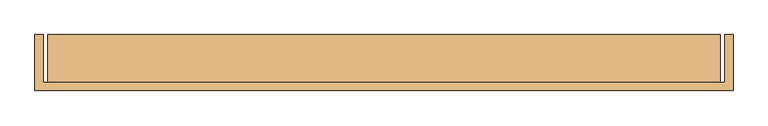
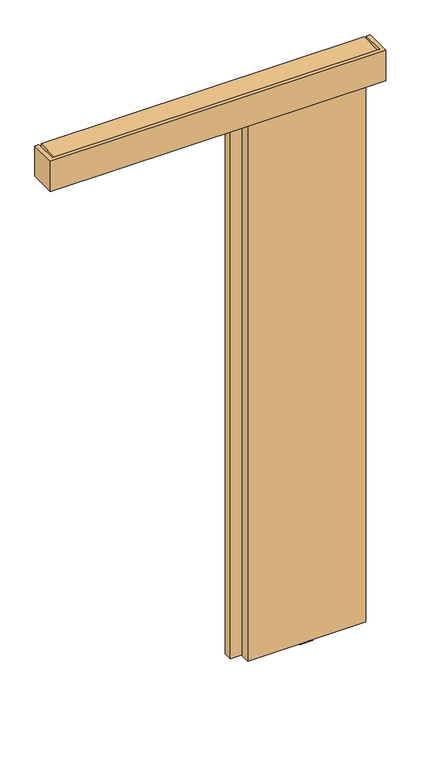
"""IFC4 building model written with IfcOpenShell, lengths in millimetres: door geometry."""

from ifc_helpers import new_model, si_unit, point, frame, frame_2d, origin, place, context, project, spatial, polyline, circle_curve, trimmed, segment, composite_curve, outline, extrude, source, transform, mapped, element, save
from ifc_brep_helpers import plane_surface, cylinder_surface, advanced_brep


def door_6378e227(model_context):
    return source(origin(), model_context, "Body", "SolidModel", [
        extrude(outline(composite_curve([segment(trimmed(circle_curve(frame_2d((-446.5, -48.5)), 9.0), [point((-437.5, -48.5))], [point((-455.5, -48.5))], False, "CARTESIAN"), True, "CONTINUOUS"), segment(trimmed(circle_curve(frame_2d((-446.5, -48.5)), 9.0), [point((-455.5, -48.5))], [point((-437.5, -48.5))], False, "CARTESIAN"), True, "CONTINUOUS")], self_intersect=False)), frame((0.0, 0.0, 2631.0), z_axis=(0.0, 0.0, 1.0), x_axis=(1.0, 0.0, 0.0)), (0.0, 0.0, 1.0), 26.0),
        extrude(outline(polyline([(-524.0, -58.5), (-524.0, -38.5), (-445.8281516, -38.5), (-445.8281516, -58.5), (-524.0, -58.5)])), frame((0.0, 0.0, 2631.0), z_axis=(0.0, 0.0, 1.0), x_axis=(1.0, 0.0, 0.0)), (0.0, 0.0, 1.0), 5.0),
        extrude(outline(composite_curve([segment(trimmed(circle_curve(frame_2d((-446.5, -48.5)), 21.0), [point((-425.5, -48.5))], [point((-467.5, -48.5))], False, "CARTESIAN"), True, "CONTINUOUS"), segment(trimmed(circle_curve(frame_2d((-446.5, -48.5)), 21.0), [point((-467.5, -48.5))], [point((-425.5, -48.5))], False, "CARTESIAN"), True, "CONTINUOUS")], self_intersect=False)), frame((0.0, 0.0, 2636.0), z_axis=(0.0, 0.0, 1.0), x_axis=(1.0, 0.0, 0.0)), (0.0, 0.0, 1.0), 16.0),
        advanced_brep(
        [(-775.5, 14.2574263, 2687.3), (-870.5, 14.2574263, 2687.3), (-870.5, -14.7425737, 2687.3), (-775.5, -14.7425737, 2687.3), (-833.427668, -10.9457536, 2687.3), (-863.71694, -10.9457536, 2687.3), (-863.71694, 10.4606061, 2687.3), (-833.427668, 10.4606061, 2687.3), (-782.28306, -10.9457536, 2687.3), (-812.572332, -10.9457536, 2687.3), (-812.572332, 10.4606061, 2687.3), (-782.28306, 10.4606061, 2687.3), (-775.5, 14.2574263, 2672.3), (-775.5, -14.7425737, 2672.3), (-870.5, -14.7425737, 2672.3), (-870.5, 14.2574263, 2672.3), (-863.71694, -10.9457536, 2672.3), (-833.427668, -10.9457536, 2672.3), (-833.427668, 10.4606061, 2672.3), (-863.71694, 10.4606061, 2672.3), (-812.572332, -10.9457536, 2672.3), (-782.28306, -10.9457536, 2672.3), (-782.28306, 10.4606061, 2672.3), (-812.572332, 10.4606061, 2672.3), (-827.95, -0.5, 2672.3), (-818.05, -0.5, 2672.3), (-827.95, -0.5, 2653.8), (-818.05, -0.5, 2653.8)],
        [
            (0, 1),
            (1, 2),
            (2, 3),
            (3, 0),
            (4, 5),
            (5, 6),
            (6, 7),
            (7, 4),
            (8, 9),
            (9, 10),
            (10, 11),
            (11, 8),
            (12, 13),
            (13, 14),
            (14, 15),
            (15, 12),
            (16, 17),
            (17, 18),
            (18, 19),
            (19, 16),
            (20, 21),
            (21, 22),
            (22, 23),
            (23, 20),
            (24, 25, circle_curve(frame((-823.0, -0.5, 2672.3), z_axis=(0.0, 0.0, 1.0), x_axis=(1.0, 0.0, 0.0)), 4.95)),
            (25, 24, circle_curve(frame((-823.0, -0.5, 2672.3), z_axis=(0.0, 0.0, 1.0), x_axis=(1.0, 0.0, 0.0)), 4.95)),
            (0, 12),
            (15, 1),
            (14, 2),
            (13, 3),
            (16, 17, circle_curve(frame((-848.572304, -10.9457536, 2679.8), z_axis=(0.0, -1.0, 0.0), x_axis=(1.0, 0.0, 0.0)), 16.9)),
            (4, 5, circle_curve(frame((-848.572304, -10.9457536, 2679.8), z_axis=(0.0, -1.0, 0.0), x_axis=(1.0, 0.0, 0.0)), 16.9)),
            (6, 7, circle_curve(frame((-848.572304, 10.4606061, 2679.8), z_axis=(0.0, 1.0, 0.0), x_axis=(1.0, 0.0, 0.0)), 16.9)),
            (18, 19, circle_curve(frame((-848.572304, 10.4606061, 2679.8), z_axis=(0.0, 1.0, 0.0), x_axis=(1.0, 0.0, 0.0)), 16.9)),
            (8, 9, circle_curve(frame((-797.427696, -10.9457536, 2679.8), z_axis=(0.0, -1.0, 0.0), x_axis=(-1.0, 0.0, 0.0)), 16.9)),
            (20, 21, circle_curve(frame((-797.427696, -10.9457536, 2679.8), z_axis=(0.0, -1.0, 0.0), x_axis=(-1.0, 0.0, 0.0)), 16.9)),
            (22, 23, circle_curve(frame((-797.427696, 10.4606061, 2679.8), z_axis=(0.0, 1.0, 0.0), x_axis=(-1.0, 0.0, 0.0)), 16.9)),
            (10, 11, circle_curve(frame((-797.427696, 10.4606061, 2679.8), z_axis=(0.0, 1.0, 0.0), x_axis=(-1.0, 0.0, 0.0)), 16.9)),
            (26, 27, circle_curve(frame((-823.0, -0.5, 2653.8), z_axis=(0.0, 0.0, -1.0), x_axis=(1.0, 0.0, 0.0)), 4.95)),
            (27, 26, circle_curve(frame((-823.0, -0.5, 2653.8), z_axis=(0.0, 0.0, -1.0), x_axis=(1.0, 0.0, 0.0)), 4.95)),
            (27, 25),
            (24, 26),
        ],
        [
            plane_surface(frame((-870.5, 14.2574263, 2687.3), z_axis=(0.0, 0.0, 1.0), x_axis=(-1.0, 0.0, 0.0))),
            plane_surface(frame((-870.5, 14.2574263, 2672.3), z_axis=(0.0, 0.0, -1.0), x_axis=(1.0, 0.0, 0.0))),
            plane_surface(frame((-775.5, 14.2574263, 2687.3), z_axis=(0.0, 1.0, 0.0), x_axis=(0.0, 0.0, -1.0))),
            plane_surface(frame((-870.5, 14.2574263, 2687.3), z_axis=(-1.0, 0.0, 0.0), x_axis=(0.0, 0.0, -1.0))),
            plane_surface(frame((-870.5, -14.7425737, 2687.3), z_axis=(0.0, -1.0, 0.0), x_axis=(0.0, 0.0, -1.0))),
            plane_surface(frame((-775.5, -14.7425737, 2687.3), z_axis=(1.0, 0.0, 0.0), x_axis=(0.0, 0.0, -1.0))),
            plane_surface(frame((-831.672304, -10.9457536, 2679.8), z_axis=(0.0, -1.0, 0.0), x_axis=(0.0, 0.0, 1.0))),
            plane_surface(frame((-831.672304, 10.4606061, 2679.8), z_axis=(0.0, 1.0, 0.0), x_axis=(0.0, 0.0, -1.0))),
            cylinder_surface(frame((-848.572304, 10.4606061, 2679.8), z_axis=(0.0, -1.0, 0.0), x_axis=(1.0, 0.0, 0.0)), 16.9),
            plane_surface(frame((-814.327696, -10.9457536, 2679.8), z_axis=(0.0, -1.0, 0.0), x_axis=(0.0, 0.0, -1.0))),
            plane_surface(frame((-814.327696, 10.4606061, 2679.8), z_axis=(0.0, 1.0, 0.0), x_axis=(0.0, 0.0, 1.0))),
            cylinder_surface(frame((-797.427696, 10.4606061, 2679.8), z_axis=(0.0, -1.0, 0.0), x_axis=(-1.0, 0.0, 0.0)), 16.9),
            plane_surface(frame((-818.05, -0.5, 2653.8), z_axis=(0.0, 0.0, -1.0), x_axis=(0.0, -1.0, 0.0))),
            cylinder_surface(frame((-823.0, -0.5, 2653.8), z_axis=(0.0, 0.0, 1.0), x_axis=(1.0, 0.0, 0.0)), 4.95),
        ],
        [
            (0, [[1, 2, 3, 4], [5, 6, 7, 8], [9, 10, 11, 12]]),
            (1, [[13, 14, 15, 16], [17, 18, 19, 20], [21, 22, 23, 24], [25, 26]]),
            (2, [[-1, 27, -16, 28]]),
            (3, [[-2, -28, -15, 29]]),
            (4, [[-3, -29, -14, 30]]),
            (5, [[-4, -30, -13, -27]]),
            (6, [[31, -17]]),
            (6, [[32, -5]]),
            (7, [[33, -7]]),
            (7, [[34, -19]]),
            (8, [[-31, -20, -34, -18]]),
            (8, [[-32, -8, -33, -6]]),
            (9, [[35, -9]]),
            (9, [[36, -21]]),
            (10, [[37, -23]]),
            (10, [[38, -11]]),
            (11, [[-36, -24, -37, -22]]),
            (11, [[-35, -12, -38, -10]]),
            (12, [[39, 40]]),
            (13, [[-40, 41, -25, 42]]),
            (13, [[-39, -42, -26, -41]]),
        ],
    ),
        extrude(outline(composite_curve([segment(trimmed(circle_curve(frame_2d((-822.9999644, -0.1875)), 12.254021), [point((-835.2539853, -0.1875))], [point((-810.7459434, -0.1875))], False, "CARTESIAN"), True, "CONTINUOUS"), segment(trimmed(circle_curve(frame_2d((-822.9999644, -0.1875)), 12.254021), [point((-810.7459434, -0.1875))], [point((-835.2539853, -0.1875))], False, "CARTESIAN"), True, "CONTINUOUS")], self_intersect=False)), frame((0.0, 0.0, 2645.0), z_axis=(0.0, 0.0, 1.0), x_axis=(1.0, 0.0, 0.0)), (0.0, 0.0, 1.0), 8.8),
        extrude(outline(polyline([(2631.0, -773.0), (2634.8, -773.0), (2645.0, -810.75), (2645.0, -835.25), (2634.8, -873.0), (2631.0, -873.0), (2631.0, -773.0)])), frame((0.0, -17.7425737, 0.0), z_axis=(0.0, 1.0, 0.0), x_axis=(0.0, 0.0, 1.0)), (0.0, 0.0, 1.0), 35.0),
        extrude(outline(composite_curve([segment(trimmed(circle_curve(frame_2d((-1053.0, -48.5)), 9.0), [point((-1062.0, -48.5))], [point((-1044.0, -48.5))], False, "CARTESIAN"), True, "CONTINUOUS"), segment(trimmed(circle_curve(frame_2d((-1053.0, -48.5)), 9.0), [point((-1044.0, -48.5))], [point((-1062.0, -48.5))], False, "CARTESIAN"), True, "CONTINUOUS")], self_intersect=False)), frame((0.0, 0.0, 2631.0), z_axis=(0.0, 0.0, 1.0), x_axis=(1.0, 0.0, 0.0)), (0.0, 0.0, 1.0), 26.0),
        extrude(outline(polyline([(-878.5, -58.5), (-1053.6718484, -58.5), (-1053.6718484, -38.5), (-878.5, -38.5), (-878.5, -58.5)])), frame((0.0, 0.0, 2631.0), z_axis=(0.0, 0.0, 1.0), x_axis=(1.0, 0.0, 0.0)), (0.0, 0.0, 1.0), 5.0),
        extrude(outline(composite_curve([segment(trimmed(circle_curve(frame_2d((-1053.0, -48.5)), 21.0), [point((-1074.0, -48.5))], [point((-1032.0, -48.5))], False, "CARTESIAN"), True, "CONTINUOUS"), segment(trimmed(circle_curve(frame_2d((-1053.0, -48.5)), 21.0), [point((-1032.0, -48.5))], [point((-1074.0, -48.5))], False, "CARTESIAN"), True, "CONTINUOUS")], self_intersect=False)), frame((0.0, 0.0, 2636.0), z_axis=(0.0, 0.0, 1.0), x_axis=(1.0, 0.0, 0.0)), (0.0, 0.0, 1.0), 16.0),
        advanced_brep(
        [(-528.0, -33.7425737, 2687.3), (-623.0, -33.7425737, 2687.3), (-623.0, -62.7425737, 2687.3), (-528.0, -62.7425737, 2687.3), (-585.927668, -58.9457536, 2687.3), (-616.21694, -58.9457536, 2687.3), (-616.21694, -37.5393939, 2687.3), (-585.927668, -37.5393939, 2687.3), (-534.78306, -58.9457536, 2687.3), (-565.072332, -58.9457536, 2687.3), (-565.072332, -37.5393939, 2687.3), (-534.78306, -37.5393939, 2687.3), (-528.0, -33.7425737, 2672.3), (-528.0, -62.7425737, 2672.3), (-623.0, -62.7425737, 2672.3), (-623.0, -33.7425737, 2672.3), (-616.21694, -58.9457536, 2672.3), (-585.927668, -58.9457536, 2672.3), (-585.927668, -37.5393939, 2672.3), (-616.21694, -37.5393939, 2672.3), (-565.072332, -58.9457536, 2672.3), (-534.78306, -58.9457536, 2672.3), (-534.78306, -37.5393939, 2672.3), (-565.072332, -37.5393939, 2672.3), (-580.45, -48.5, 2672.3), (-570.55, -48.5, 2672.3), (-580.45, -48.5, 2653.8), (-570.55, -48.5, 2653.8)],
        [
            (0, 1),
            (1, 2),
            (2, 3),
            (3, 0),
            (4, 5),
            (5, 6),
            (6, 7),
            (7, 4),
            (8, 9),
            (9, 10),
            (10, 11),
            (11, 8),
            (12, 13),
            (13, 14),
            (14, 15),
            (15, 12),
            (16, 17),
            (17, 18),
            (18, 19),
            (19, 16),
            (20, 21),
            (21, 22),
            (22, 23),
            (23, 20),
            (24, 25, circle_curve(frame((-575.5, -48.5, 2672.3), z_axis=(0.0, 0.0, 1.0), x_axis=(1.0, 0.0, 0.0)), 4.95)),
            (25, 24, circle_curve(frame((-575.5, -48.5, 2672.3), z_axis=(0.0, 0.0, 1.0), x_axis=(1.0, 0.0, 0.0)), 4.95)),
            (0, 12),
            (15, 1),
            (14, 2),
            (13, 3),
            (16, 17, circle_curve(frame((-601.072304, -58.9457536, 2679.8), z_axis=(0.0, -1.0, 0.0), x_axis=(1.0, 0.0, 0.0)), 16.9)),
            (4, 5, circle_curve(frame((-601.072304, -58.9457536, 2679.8), z_axis=(0.0, -1.0, 0.0), x_axis=(1.0, 0.0, 0.0)), 16.9)),
            (6, 7, circle_curve(frame((-601.072304, -37.5393939, 2679.8), z_axis=(0.0, 1.0, 0.0), x_axis=(1.0, 0.0, 0.0)), 16.9)),
            (18, 19, circle_curve(frame((-601.072304, -37.5393939, 2679.8), z_axis=(0.0, 1.0, 0.0), x_axis=(1.0, 0.0, 0.0)), 16.9)),
            (8, 9, circle_curve(frame((-549.927696, -58.9457536, 2679.8), z_axis=(0.0, -1.0, 0.0), x_axis=(-1.0, 0.0, 0.0)), 16.9)),
            (20, 21, circle_curve(frame((-549.927696, -58.9457536, 2679.8), z_axis=(0.0, -1.0, 0.0), x_axis=(-1.0, 0.0, 0.0)), 16.9)),
            (22, 23, circle_curve(frame((-549.927696, -37.5393939, 2679.8), z_axis=(0.0, 1.0, 0.0), x_axis=(-1.0, 0.0, 0.0)), 16.9)),
            (10, 11, circle_curve(frame((-549.927696, -37.5393939, 2679.8), z_axis=(0.0, 1.0, 0.0), x_axis=(-1.0, 0.0, 0.0)), 16.9)),
            (26, 27, circle_curve(frame((-575.5, -48.5, 2653.8), z_axis=(0.0, 0.0, -1.0), x_axis=(1.0, 0.0, 0.0)), 4.95)),
            (27, 26, circle_curve(frame((-575.5, -48.5, 2653.8), z_axis=(0.0, 0.0, -1.0), x_axis=(1.0, 0.0, 0.0)), 4.95)),
            (27, 25),
            (24, 26),
        ],
        [
            plane_surface(frame((-623.0, -33.7425737, 2687.3), z_axis=(0.0, 0.0, 1.0), x_axis=(-1.0, 0.0, 0.0))),
            plane_surface(frame((-623.0, -33.7425737, 2672.3), z_axis=(0.0, 0.0, -1.0), x_axis=(1.0, 0.0, 0.0))),
            plane_surface(frame((-528.0, -33.7425737, 2687.3), z_axis=(0.0, 1.0, 0.0), x_axis=(0.0, 0.0, -1.0))),
            plane_surface(frame((-623.0, -33.7425737, 2687.3), z_axis=(-1.0, 0.0, 0.0), x_axis=(0.0, 0.0, -1.0))),
            plane_surface(frame((-623.0, -62.7425737, 2687.3), z_axis=(0.0, -1.0, 0.0), x_axis=(0.0, 0.0, -1.0))),
            plane_surface(frame((-528.0, -62.7425737, 2687.3), z_axis=(1.0, 0.0, 0.0), x_axis=(0.0, 0.0, -1.0))),
            plane_surface(frame((-584.172304, -58.9457536, 2679.8), z_axis=(0.0, -1.0, 0.0), x_axis=(0.0, 0.0, 1.0))),
            plane_surface(frame((-584.172304, -37.5393939, 2679.8), z_axis=(0.0, 1.0, 0.0), x_axis=(0.0, 0.0, -1.0))),
            cylinder_surface(frame((-601.072304, -37.5393939, 2679.8), z_axis=(0.0, -1.0, 0.0), x_axis=(1.0, 0.0, 0.0)), 16.9),
            plane_surface(frame((-566.827696, -58.9457536, 2679.8), z_axis=(0.0, -1.0, 0.0), x_axis=(0.0, 0.0, -1.0))),
            plane_surface(frame((-566.827696, -37.5393939, 2679.8), z_axis=(0.0, 1.0, 0.0), x_axis=(0.0, 0.0, 1.0))),
            cylinder_surface(frame((-549.927696, -37.5393939, 2679.8), z_axis=(0.0, -1.0, 0.0), x_axis=(-1.0, 0.0, 0.0)), 16.9),
            plane_surface(frame((-570.55, -48.5, 2653.8), z_axis=(0.0, 0.0, -1.0), x_axis=(0.0, -1.0, 0.0))),
            cylinder_surface(frame((-575.5, -48.5, 2653.8), z_axis=(0.0, 0.0, 1.0), x_axis=(1.0, 0.0, 0.0)), 4.95),
        ],
        [
            (0, [[1, 2, 3, 4], [5, 6, 7, 8], [9, 10, 11, 12]]),
            (1, [[13, 14, 15, 16], [17, 18, 19, 20], [21, 22, 23, 24], [25, 26]]),
            (2, [[-1, 27, -16, 28]]),
            (3, [[-2, -28, -15, 29]]),
            (4, [[-3, -29, -14, 30]]),
            (5, [[-4, -30, -13, -27]]),
            (6, [[31, -17]]),
            (6, [[32, -5]]),
            (7, [[33, -7]]),
            (7, [[34, -19]]),
            (8, [[-31, -20, -34, -18]]),
            (8, [[-32, -8, -33, -6]]),
            (9, [[35, -9]]),
            (9, [[36, -21]]),
            (10, [[37, -23]]),
            (10, [[38, -11]]),
            (11, [[-36, -24, -37, -22]]),
            (11, [[-35, -12, -38, -10]]),
            (12, [[39, 40]]),
            (13, [[-40, 41, -25, 42]]),
            (13, [[-39, -42, -26, -41]]),
        ],
    ),
        extrude(outline(composite_curve([segment(trimmed(circle_curve(frame_2d((-575.4999644, -48.1875)), 12.254021), [point((-587.7539853, -48.1875))], [point((-563.2459434, -48.1875))], False, "CARTESIAN"), True, "CONTINUOUS"), segment(trimmed(circle_curve(frame_2d((-575.4999644, -48.1875)), 12.254021), [point((-563.2459434, -48.1875))], [point((-587.7539853, -48.1875))], False, "CARTESIAN"), True, "CONTINUOUS")], self_intersect=False)), frame((0.0, 0.0, 2645.0), z_axis=(0.0, 0.0, 1.0), x_axis=(1.0, 0.0, 0.0)), (0.0, 0.0, 1.0), 8.8),
        extrude(outline(polyline([(2631.0, -525.5), (2634.8, -525.5), (2645.0, -563.25), (2645.0, -587.75), (2634.8, -625.5), (2631.0, -625.5), (2631.0, -525.5)])), frame((0.0, -65.7425737, 0.0), z_axis=(0.0, 1.0, 0.0), x_axis=(0.0, 0.0, 1.0)), (0.0, 0.0, 1.0), 35.0),
        advanced_brep(
        [(-763.0, -33.7425737, 2687.3), (-858.0, -33.7425737, 2687.3), (-858.0, -62.7425737, 2687.3), (-763.0, -62.7425737, 2687.3), (-820.927668, -58.9457536, 2687.3), (-851.21694, -58.9457536, 2687.3), (-851.21694, -37.5393939, 2687.3), (-820.927668, -37.5393939, 2687.3), (-769.78306, -58.9457536, 2687.3), (-800.072332, -58.9457536, 2687.3), (-800.072332, -37.5393939, 2687.3), (-769.78306, -37.5393939, 2687.3), (-763.0, -33.7425737, 2672.3), (-763.0, -62.7425737, 2672.3), (-858.0, -62.7425737, 2672.3), (-858.0, -33.7425737, 2672.3), (-851.21694, -58.9457536, 2672.3), (-820.927668, -58.9457536, 2672.3), (-820.927668, -37.5393939, 2672.3), (-851.21694, -37.5393939, 2672.3), (-800.072332, -58.9457536, 2672.3), (-769.78306, -58.9457536, 2672.3), (-769.78306, -37.5393939, 2672.3), (-800.072332, -37.5393939, 2672.3), (-815.45, -48.5, 2672.3), (-805.55, -48.5, 2672.3), (-815.45, -48.5, 2653.8), (-805.55, -48.5, 2653.8)],
        [
            (0, 1),
            (1, 2),
            (2, 3),
            (3, 0),
            (4, 5),
            (5, 6),
            (6, 7),
            (7, 4),
            (8, 9),
            (9, 10),
            (10, 11),
            (11, 8),
            (12, 13),
            (13, 14),
            (14, 15),
            (15, 12),
            (16, 17),
            (17, 18),
            (18, 19),
            (19, 16),
            (20, 21),
            (21, 22),
            (22, 23),
            (23, 20),
            (24, 25, circle_curve(frame((-810.5, -48.5, 2672.3), z_axis=(0.0, 0.0, 1.0), x_axis=(1.0, 0.0, 0.0)), 4.95)),
            (25, 24, circle_curve(frame((-810.5, -48.5, 2672.3), z_axis=(0.0, 0.0, 1.0), x_axis=(1.0, 0.0, 0.0)), 4.95)),
            (0, 12),
            (15, 1),
            (14, 2),
            (13, 3),
            (16, 17, circle_curve(frame((-836.072304, -58.9457536, 2679.8), z_axis=(0.0, -1.0, 0.0), x_axis=(1.0, 0.0, 0.0)), 16.9)),
            (4, 5, circle_curve(frame((-836.072304, -58.9457536, 2679.8), z_axis=(0.0, -1.0, 0.0), x_axis=(1.0, 0.0, 0.0)), 16.9)),
            (6, 7, circle_curve(frame((-836.072304, -37.5393939, 2679.8), z_axis=(0.0, 1.0, 0.0), x_axis=(1.0, 0.0, 0.0)), 16.9)),
            (18, 19, circle_curve(frame((-836.072304, -37.5393939, 2679.8), z_axis=(0.0, 1.0, 0.0), x_axis=(1.0, 0.0, 0.0)), 16.9)),
            (8, 9, circle_curve(frame((-784.927696, -58.9457536, 2679.8), z_axis=(0.0, -1.0, 0.0), x_axis=(-1.0, 0.0, 0.0)), 16.9)),
            (20, 21, circle_curve(frame((-784.927696, -58.9457536, 2679.8), z_axis=(0.0, -1.0, 0.0), x_axis=(-1.0, 0.0, 0.0)), 16.9)),
            (22, 23, circle_curve(frame((-784.927696, -37.5393939, 2679.8), z_axis=(0.0, 1.0, 0.0), x_axis=(-1.0, 0.0, 0.0)), 16.9)),
            (10, 11, circle_curve(frame((-784.927696, -37.5393939, 2679.8), z_axis=(0.0, 1.0, 0.0), x_axis=(-1.0, 0.0, 0.0)), 16.9)),
            (26, 27, circle_curve(frame((-810.5, -48.5, 2653.8), z_axis=(0.0, 0.0, -1.0), x_axis=(1.0, 0.0, 0.0)), 4.95)),
            (27, 26, circle_curve(frame((-810.5, -48.5, 2653.8), z_axis=(0.0, 0.0, -1.0), x_axis=(1.0, 0.0, 0.0)), 4.95)),
            (27, 25),
            (24, 26),
        ],
        [
            plane_surface(frame((-858.0, -33.7425737, 2687.3), z_axis=(0.0, 0.0, 1.0), x_axis=(-1.0, 0.0, 0.0))),
            plane_surface(frame((-858.0, -33.7425737, 2672.3), z_axis=(0.0, 0.0, -1.0), x_axis=(1.0, 0.0, 0.0))),
            plane_surface(frame((-763.0, -33.7425737, 2687.3), z_axis=(0.0, 1.0, 0.0), x_axis=(0.0, 0.0, -1.0))),
            plane_surface(frame((-858.0, -33.7425737, 2687.3), z_axis=(-1.0, 0.0, 0.0), x_axis=(0.0, 0.0, -1.0))),
            plane_surface(frame((-858.0, -62.7425737, 2687.3), z_axis=(0.0, -1.0, 0.0), x_axis=(0.0, 0.0, -1.0))),
            plane_surface(frame((-763.0, -62.7425737, 2687.3), z_axis=(1.0, 0.0, 0.0), x_axis=(0.0, 0.0, -1.0))),
            plane_surface(frame((-819.172304, -58.9457536, 2679.8), z_axis=(0.0, -1.0, 0.0), x_axis=(0.0, 0.0, 1.0))),
            plane_surface(frame((-819.172304, -37.5393939, 2679.8), z_axis=(0.0, 1.0, 0.0), x_axis=(0.0, 0.0, -1.0))),
            cylinder_surface(frame((-836.072304, -37.5393939, 2679.8), z_axis=(0.0, -1.0, 0.0), x_axis=(1.0, 0.0, 0.0)), 16.9),
            plane_surface(frame((-801.827696, -58.9457536, 2679.8), z_axis=(0.0, -1.0, 0.0), x_axis=(0.0, 0.0, -1.0))),
            plane_surface(frame((-801.827696, -37.5393939, 2679.8), z_axis=(0.0, 1.0, 0.0), x_axis=(0.0, 0.0, 1.0))),
            cylinder_surface(frame((-784.927696, -37.5393939, 2679.8), z_axis=(0.0, -1.0, 0.0), x_axis=(-1.0, 0.0, 0.0)), 16.9),
            plane_surface(frame((-805.55, -48.5, 2653.8), z_axis=(0.0, 0.0, -1.0), x_axis=(0.0, -1.0, 0.0))),
            cylinder_surface(frame((-810.5, -48.5, 2653.8), z_axis=(0.0, 0.0, 1.0), x_axis=(1.0, 0.0, 0.0)), 4.95),
        ],
        [
            (0, [[1, 2, 3, 4], [5, 6, 7, 8], [9, 10, 11, 12]]),
            (1, [[13, 14, 15, 16], [17, 18, 19, 20], [21, 22, 23, 24], [25, 26]]),
            (2, [[-1, 27, -16, 28]]),
            (3, [[-2, -28, -15, 29]]),
            (4, [[-3, -29, -14, 30]]),
            (5, [[-4, -30, -13, -27]]),
            (6, [[31, -17]]),
            (6, [[32, -5]]),
            (7, [[33, -7]]),
            (7, [[34, -19]]),
            (8, [[-31, -20, -34, -18]]),
            (8, [[-32, -8, -33, -6]]),
            (9, [[35, -9]]),
            (9, [[36, -21]]),
            (10, [[37, -23]]),
            (10, [[38, -11]]),
            (11, [[-36, -24, -37, -22]]),
            (11, [[-35, -12, -38, -10]]),
            (12, [[39, 40]]),
            (13, [[-40, 41, -25, 42]]),
            (13, [[-39, -42, -26, -41]]),
        ],
    ),
        extrude(outline(composite_curve([segment(trimmed(circle_curve(frame_2d((-810.4999644, -48.1875)), 12.254021), [point((-822.7539853, -48.1875))], [point((-798.2459434, -48.1875))], False, "CARTESIAN"), True, "CONTINUOUS"), segment(trimmed(circle_curve(frame_2d((-810.4999644, -48.1875)), 12.254021), [point((-798.2459434, -48.1875))], [point((-822.7539853, -48.1875))], False, "CARTESIAN"), True, "CONTINUOUS")], self_intersect=False)), frame((0.0, 0.0, 2645.0), z_axis=(0.0, 0.0, 1.0), x_axis=(1.0, 0.0, 0.0)), (0.0, 0.0, 1.0), 8.8),
        extrude(outline(polyline([(2631.0, -760.5), (2634.8, -760.5), (2645.0, -798.25), (2645.0, -822.75), (2634.8, -860.5), (2631.0, -860.5), (2631.0, -760.5)])), frame((0.0, -65.7425737, 0.0), z_axis=(0.0, 1.0, 0.0), x_axis=(0.0, 0.0, 1.0)), (0.0, 0.0, 1.0), 35.0),
        advanced_brep(
        [(-832.0, 14.2574263, 2687.3), (-927.0, 14.2574263, 2687.3), (-927.0, -14.7425737, 2687.3), (-832.0, -14.7425737, 2687.3), (-889.927668, -10.9457536, 2687.3), (-920.21694, -10.9457536, 2687.3), (-920.21694, 10.4606061, 2687.3), (-889.927668, 10.4606061, 2687.3), (-838.78306, -10.9457536, 2687.3), (-869.072332, -10.9457536, 2687.3), (-869.072332, 10.4606061, 2687.3), (-838.78306, 10.4606061, 2687.3), (-832.0, 14.2574263, 2672.3), (-832.0, -14.7425737, 2672.3), (-927.0, -14.7425737, 2672.3), (-927.0, 14.2574263, 2672.3), (-920.21694, -10.9457536, 2672.3), (-889.927668, -10.9457536, 2672.3), (-889.927668, 10.4606061, 2672.3), (-920.21694, 10.4606061, 2672.3), (-869.072332, -10.9457536, 2672.3), (-838.78306, -10.9457536, 2672.3), (-838.78306, 10.4606061, 2672.3), (-869.072332, 10.4606061, 2672.3), (-884.45, -0.5, 2672.3), (-874.55, -0.5, 2672.3), (-884.45, -0.5, 2653.8), (-874.55, -0.5, 2653.8)],
        [
            (0, 1),
            (1, 2),
            (2, 3),
            (3, 0),
            (4, 5),
            (5, 6),
            (6, 7),
            (7, 4),
            (8, 9),
            (9, 10),
            (10, 11),
            (11, 8),
            (12, 13),
            (13, 14),
            (14, 15),
            (15, 12),
            (16, 17),
            (17, 18),
            (18, 19),
            (19, 16),
            (20, 21),
            (21, 22),
            (22, 23),
            (23, 20),
            (24, 25, circle_curve(frame((-879.5, -0.5, 2672.3), z_axis=(0.0, 0.0, 1.0), x_axis=(1.0, 0.0, 0.0)), 4.95)),
            (25, 24, circle_curve(frame((-879.5, -0.5, 2672.3), z_axis=(0.0, 0.0, 1.0), x_axis=(1.0, 0.0, 0.0)), 4.95)),
            (0, 12),
            (15, 1),
            (14, 2),
            (13, 3),
            (16, 17, circle_curve(frame((-905.072304, -10.9457536, 2679.8), z_axis=(0.0, -1.0, 0.0), x_axis=(1.0, 0.0, 0.0)), 16.9)),
            (4, 5, circle_curve(frame((-905.072304, -10.9457536, 2679.8), z_axis=(0.0, -1.0, 0.0), x_axis=(1.0, 0.0, 0.0)), 16.9)),
            (6, 7, circle_curve(frame((-905.072304, 10.4606061, 2679.8), z_axis=(0.0, 1.0, 0.0), x_axis=(1.0, 0.0, 0.0)), 16.9)),
            (18, 19, circle_curve(frame((-905.072304, 10.4606061, 2679.8), z_axis=(0.0, 1.0, 0.0), x_axis=(1.0, 0.0, 0.0)), 16.9)),
            (8, 9, circle_curve(frame((-853.927696, -10.9457536, 2679.8), z_axis=(0.0, -1.0, 0.0), x_axis=(-1.0, 0.0, 0.0)), 16.9)),
            (20, 21, circle_curve(frame((-853.927696, -10.9457536, 2679.8), z_axis=(0.0, -1.0, 0.0), x_axis=(-1.0, 0.0, 0.0)), 16.9)),
            (22, 23, circle_curve(frame((-853.927696, 10.4606061, 2679.8), z_axis=(0.0, 1.0, 0.0), x_axis=(-1.0, 0.0, 0.0)), 16.9)),
            (10, 11, circle_curve(frame((-853.927696, 10.4606061, 2679.8), z_axis=(0.0, 1.0, 0.0), x_axis=(-1.0, 0.0, 0.0)), 16.9)),
            (26, 27, circle_curve(frame((-879.5, -0.5, 2653.8), z_axis=(0.0, 0.0, -1.0), x_axis=(1.0, 0.0, 0.0)), 4.95)),
            (27, 26, circle_curve(frame((-879.5, -0.5, 2653.8), z_axis=(0.0, 0.0, -1.0), x_axis=(1.0, 0.0, 0.0)), 4.95)),
            (27, 25),
            (24, 26),
        ],
        [
            plane_surface(frame((-927.0, 14.2574263, 2687.3), z_axis=(0.0, 0.0, 1.0), x_axis=(-1.0, 0.0, 0.0))),
            plane_surface(frame((-927.0, 14.2574263, 2672.3), z_axis=(0.0, 0.0, -1.0), x_axis=(1.0, 0.0, 0.0))),
            plane_surface(frame((-832.0, 14.2574263, 2687.3), z_axis=(0.0, 1.0, 0.0), x_axis=(0.0, 0.0, -1.0))),
            plane_surface(frame((-927.0, 14.2574263, 2687.3), z_axis=(-1.0, 0.0, 0.0), x_axis=(0.0, 0.0, -1.0))),
            plane_surface(frame((-927.0, -14.7425737, 2687.3), z_axis=(0.0, -1.0, 0.0), x_axis=(0.0, 0.0, -1.0))),
            plane_surface(frame((-832.0, -14.7425737, 2687.3), z_axis=(1.0, 0.0, 0.0), x_axis=(0.0, 0.0, -1.0))),
            plane_surface(frame((-888.172304, -10.9457536, 2679.8), z_axis=(0.0, -1.0, 0.0), x_axis=(0.0, 0.0, 1.0))),
            plane_surface(frame((-888.172304, 10.4606061, 2679.8), z_axis=(0.0, 1.0, 0.0), x_axis=(0.0, 0.0, -1.0))),
            cylinder_surface(frame((-905.072304, 10.4606061, 2679.8), z_axis=(0.0, -1.0, 0.0), x_axis=(1.0, 0.0, 0.0)), 16.9),
            plane_surface(frame((-870.827696, -10.9457536, 2679.8), z_axis=(0.0, -1.0, 0.0), x_axis=(0.0, 0.0, -1.0))),
            plane_surface(frame((-870.827696, 10.4606061, 2679.8), z_axis=(0.0, 1.0, 0.0), x_axis=(0.0, 0.0, 1.0))),
            cylinder_surface(frame((-853.927696, 10.4606061, 2679.8), z_axis=(0.0, -1.0, 0.0), x_axis=(-1.0, 0.0, 0.0)), 16.9),
            plane_surface(frame((-874.55, -0.5, 2653.8), z_axis=(0.0, 0.0, -1.0), x_axis=(0.0, -1.0, 0.0))),
            cylinder_surface(frame((-879.5, -0.5, 2653.8), z_axis=(0.0, 0.0, 1.0), x_axis=(1.0, 0.0, 0.0)), 4.95),
        ],
        [
            (0, [[1, 2, 3, 4], [5, 6, 7, 8], [9, 10, 11, 12]]),
            (1, [[13, 14, 15, 16], [17, 18, 19, 20], [21, 22, 23, 24], [25, 26]]),
            (2, [[-1, 27, -16, 28]]),
            (3, [[-2, -28, -15, 29]]),
            (4, [[-3, -29, -14, 30]]),
            (5, [[-4, -30, -13, -27]]),
            (6, [[31, -17]]),
            (6, [[32, -5]]),
            (7, [[33, -7]]),
            (7, [[34, -19]]),
            (8, [[-31, -20, -34, -18]]),
            (8, [[-32, -8, -33, -6]]),
            (9, [[35, -9]]),
            (9, [[36, -21]]),
            (10, [[37, -23]]),
            (10, [[38, -11]]),
            (11, [[-36, -24, -37, -22]]),
            (11, [[-35, -12, -38, -10]]),
            (12, [[39, 40]]),
            (13, [[-40, 41, -25, 42]]),
            (13, [[-39, -42, -26, -41]]),
        ],
    ),
        extrude(outline(composite_curve([segment(trimmed(circle_curve(frame_2d((-879.4999644, -0.1875)), 12.254021), [point((-891.7539853, -0.1875))], [point((-867.2459434, -0.1875))], False, "CARTESIAN"), True, "CONTINUOUS"), segment(trimmed(circle_curve(frame_2d((-879.4999644, -0.1875)), 12.254021), [point((-867.2459434, -0.1875))], [point((-891.7539853, -0.1875))], False, "CARTESIAN"), True, "CONTINUOUS")], self_intersect=False)), frame((0.0, 0.0, 2645.0), z_axis=(0.0, 0.0, 1.0), x_axis=(1.0, 0.0, 0.0)), (0.0, 0.0, 1.0), 8.8),
        extrude(outline(polyline([(2631.0, -829.5), (2634.8, -829.5), (2645.0, -867.25), (2645.0, -891.75), (2634.8, -929.5), (2631.0, -929.5), (2631.0, -829.5)])), frame((0.0, -17.7425737, 0.0), z_axis=(0.0, 1.0, 0.0), x_axis=(0.0, 0.0, 1.0)), (0.0, 0.0, 1.0), 35.0),
        extrude(outline(polyline([(-1868.5, 28.5), (-1850.5, 28.5), (-1850.5, -75.5), (-365.5, -75.5), (-365.5, 28.5), (-347.5, 28.5), (-347.5, -93.5), (-1868.5, -93.5), (-1868.5, 28.5)])), frame((0.0, 0.0, 2595.0), z_axis=(0.0, 0.0, 1.0), x_axis=(1.0, 0.0, 0.0)), (0.0, 0.0, 1.0), 145.0),
        extrude(outline(polyline([(-425.5, -28.5), (-425.5, -68.5), (-960.5, -68.5), (-960.5, -28.5), (-425.5, -28.5)])), frame((0.0, 0.0, 10.0), z_axis=(0.0, 0.0, 1.0), x_axis=(1.0, 0.0, 0.0)), (0.0, 0.0, 1.0), 2621.0),
        extrude(outline(polyline([(-653.0, 19.5), (-653.0, -20.5), (-1010.5, -20.5), (-1010.5, 19.5), (-653.0, 19.5)])), frame((0.0, 0.0, 10.0), z_axis=(0.0, 0.0, 1.0), x_axis=(1.0, 0.0, 0.0)), (0.0, 0.0, 1.0), 2621.0),
        extrude(outline(polyline([(-21.5, 104.0), (-21.5, 4.0), (-66.0, 4.0), (-66.0, 9.0), (-53.5, 9.0), (-53.5, 33.75), (-43.5, 33.75), (-43.5, 9.0), (-27.5, 9.0), (-27.5, 104.0), (-21.5, 104.0)])), frame((-723.0, 0.0, 0.0), z_axis=(1.0, 0.0, 0.0), x_axis=(0.0, 1.0, 0.0)), (0.0, 0.0, 1.0), 60.0),
        extrude(outline(polyline([(19.5, 5.0), (19.5, 0.0), (-18.1203818, 0.0), (-18.1203818, 5.0), (-5.6203818, 5.0), (-5.6203818, 25.0), (4.3796182, 25.0), (4.3796182, 5.0), (19.5, 5.0)])), frame((-723.0, 0.0, 0.0), z_axis=(1.0, 0.0, 0.0), x_axis=(0.0, 1.0, 0.0)), (0.0, 0.0, 1.0), 60.0),
        extrude(outline(composite_curve([segment(trimmed(circle_curve(frame_2d((-446.5, -48.5029779)), 22.0109205), [point((-446.5, -26.4920574))], [point((-446.5, -70.5138983))], False, "CARTESIAN"), True, "CONTINUOUS"), segment(polyline([(-446.5, -70.5138983), (-1053.3412736, -70.5138983)]), True, "CONTINUOUS"), segment(trimmed(circle_curve(frame_2d((-1053.3412736, -48.5029779)), 22.0109205), [point((-1053.3412736, -70.5138983))], [point((-1053.3412736, -26.4920574))], False, "CARTESIAN"), True, "CONTINUOUS"), segment(polyline([(-1053.3412736, -26.4920574), (-446.5, -26.4920574)]), True, "CONTINUOUS")], self_intersect=False), holes=[composite_curve([segment(polyline([(-446.5, -27.5), (-1053.0, -27.5)]), True, "CONTINUOUS"), segment(trimmed(circle_curve(frame_2d((-1053.0, -48.5)), 21.0), [point((-1053.0, -27.5))], [point((-1053.0, -69.5))], True, "CARTESIAN"), True, "CONTINUOUS"), segment(polyline([(-1053.0, -69.5), (-446.5, -69.5)]), True, "CONTINUOUS"), segment(trimmed(circle_curve(frame_2d((-446.5, -48.5)), 21.0), [point((-446.5, -69.5))], [point((-446.5, -27.5))], True, "CARTESIAN"), True, "CONTINUOUS")], self_intersect=False)]), frame((0.0, 0.0, 2639.446007), z_axis=(0.0, 0.0, 1.0), x_axis=(1.0, 0.0, 0.0)), (0.0, 0.0, 1.0), 7.053993),
        extrude(outline(polyline([(-375.5, 28.5), (-375.5, -75.5), (-1840.5, -75.5), (-1840.5, 28.5), (-375.5, 28.5)])), frame((0.0, 0.0, 2700.0), z_axis=(0.0, 0.0, 1.0), x_axis=(1.0, 0.0, 0.0)), (0.0, 0.0, 1.0), 40.0),
    ])


if __name__ == "__main__":
    model = new_model("IFC4")
    model_context = context("Model", 3, world=origin())
    ifc_project = project(units=[si_unit("LENGTHUNIT", "METRE", prefix="MILLI")], contexts=[model_context])
    site = spatial("IfcSite", under=ifc_project)
    building = spatial("IfcBuilding", under=site)
    placement = place(None, origin())
    door_shape = door_6378e227(model_context)
    element("IfcDoor", 1, at=placement, inside=building, context=model_context, shape_type="MappedRepresentation", body=[
        mapped(door_shape, transform((0.0, 0.0, 0.0), x_axis=(1.0, 0.0, 0.0), y_axis=(0.0, 1.0, 0.0), z_axis=(0.0, 0.0, 1.0))),
    ])
    save(model, "model.ifc")
